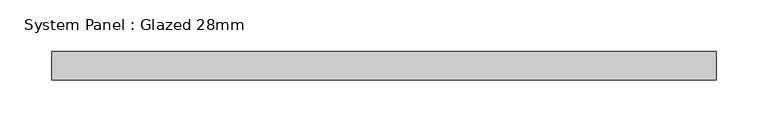
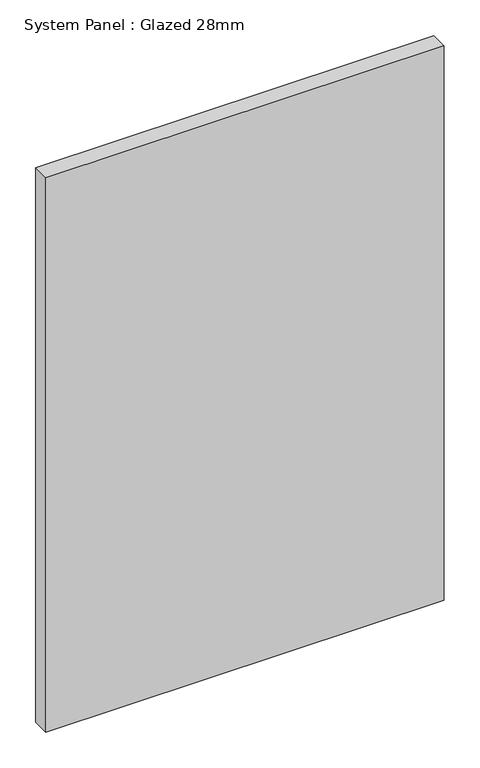
"""IFC4 building model written with IfcOpenShell, lengths in millimetres: plate geometry, System Panel : Glazed 28mm."""

import ifcopenshell
import ifcopenshell.guid

model = None  # the IFC model being written
_history = None  # IfcOwnerHistory: only IFC2X3 demands one
_inside = {}  # id of a spatial element -> (the spatial element, [elements in it])
_under = {}  # id of a project, library or spatial element -> (it, [spatial elements below it])
_declared = {}  # id of a project -> (the project, [libraries it declares])
_typed = {}  # id of a type object -> (the type object, [elements of that type])
_made_of = {}  # id of a material, layer set ... -> (it, [elements and type objects made of it])


def new_model(schema):
    """Start an empty IFC model of exactly this schema.

    Asked for "IFC4X3", IfcOpenShell would pick the latest addendum, in which some entities
    have other attributes; the version numbers below select the first issue.
    IFC2X3 requires an IfcOwnerHistory on every rooted entity: one is made here for all.
    """
    global model, _history
    if schema == "IFC4X3":
        model = ifcopenshell.file(schema_version=(4, 3, 0, 0))
    else:
        model = ifcopenshell.file(schema=schema)
    _inside.clear()
    _under.clear()
    _declared.clear()
    _typed.clear()
    _made_of.clear()
    _history = None
    if model.schema == "IFC2X3":
        org = make("IfcOrganization", Name="unknown")
        user = make(
            "IfcPersonAndOrganization",
            ThePerson=make("IfcPerson", FamilyName="unknown"),
            TheOrganization=org,
        )
        app = make(
            "IfcApplication",
            ApplicationDeveloper=org,
            Version="unknown",
            ApplicationFullName="unknown",
            ApplicationIdentifier="unknown",
        )
        _history = make(
            "IfcOwnerHistory",
            OwningUser=user,
            OwningApplication=app,
            ChangeAction="ADDED",
            CreationDate=0,
        )
    return model


def make(cls, **values):
    """One entity of the class cls with the attributes given. An attribute that is None is left unset."""
    return model.create_entity(
        cls, **{name: value for name, value in values.items() if value is not None}
    )


def rooted(cls, **values):
    """An entity with a GlobalId (a new one), such as an element, a storey or a relation."""
    return make(cls, GlobalId=ifcopenshell.guid.new(), OwnerHistory=_history, **values)


def si_unit(unit_type, name, prefix=None):
    """IfcSIUnit, for example si_unit("LENGTHUNIT", "METRE", prefix="MILLI")."""
    return make("IfcSIUnit", UnitType=unit_type, Prefix=prefix, Name=name)


def assignment(units):
    """IfcUnitAssignment: the units of a project."""
    return None if units is None else make("IfcUnitAssignment", Units=units)


def point(xyz):
    """IfcCartesianPoint."""
    return None if xyz is None else make("IfcCartesianPoint", Coordinates=xyz)


def direction(xyz):
    """IfcDirection."""
    return None if xyz is None else make("IfcDirection", DirectionRatios=xyz)


def frame(location, z_axis=None, x_axis=None):
    """IfcAxis2Placement3D, a coordinate frame: its origin and axes. An axis left out is left unset."""
    return make(
        "IfcAxis2Placement3D",
        Location=point(location),
        Axis=direction(z_axis),
        RefDirection=direction(x_axis),
    )


def origin():
    """The frame at (0, 0, 0) with its axes left unset."""
    return frame((0.0, 0.0, 0.0))


def origin_with_axes():
    """The frame at (0, 0, 0) with the z axis (0, 0, 1) and the x axis (1, 0, 0) written out."""
    return frame((0.0, 0.0, 0.0), z_axis=(0.0, 0.0, 1.0), x_axis=(1.0, 0.0, 0.0))


def place(relative_to, where):
    """IfcLocalPlacement: puts the frame where relative to a parent placement (None: the world)."""
    return make(
        "IfcLocalPlacement", PlacementRelTo=relative_to, RelativePlacement=where
    )


def context(
    kind, dimensions, precision=None, world=None, true_north=None, identifier=None
):
    """IfcGeometricRepresentationContext, for example the 3D "Model" context."""
    return make(
        "IfcGeometricRepresentationContext",
        ContextIdentifier=identifier,
        ContextType=kind,
        CoordinateSpaceDimension=dimensions,
        Precision=precision,
        WorldCoordinateSystem=world,
        TrueNorth=true_north,
    )


def project(units=None, contexts=None):
    """IfcProject with its units and contexts."""
    return rooted(
        "IfcProject",
        Name="project",
        RepresentationContexts=contexts,
        UnitsInContext=assignment(units),
    )


def spatial(cls, under=None, at=None, **own):
    """A site, building, storey or space (cls), placed at a placement, below another one or the project."""
    s = rooted(cls, ObjectPlacement=at, **own)
    if under is not None:
        _under.setdefault(under.id(), (under, []))[1].append(s)
    return s


def polyline(points):
    """IfcPolyline through the points."""
    return make("IfcPolyline", Points=[point(p) for p in points])


def outline(outer, holes=None, kind="AREA"):
    """IfcArbitraryClosedProfileDef: a profile drawn as a closed curve; with holes, ...WithVoids."""
    if holes is None:
        return make("IfcArbitraryClosedProfileDef", ProfileType=kind, OuterCurve=outer)
    return make(
        "IfcArbitraryProfileDefWithVoids",
        ProfileType=kind,
        OuterCurve=outer,
        InnerCurves=holes,
    )


def extrude(swept, where, along, depth):
    """IfcExtrudedAreaSolid: the profile swept, set in the frame where, extruded along a direction by depth."""
    return make(
        "IfcExtrudedAreaSolid",
        SweptArea=swept,
        Position=where,
        ExtrudedDirection=direction(along),
        Depth=depth,
    )


def shape(context_of_items, identifier, shape_type, items):
    """IfcShapeRepresentation: the items that make up one representation, for example the "Body"."""
    return make(
        "IfcShapeRepresentation",
        ContextOfItems=context_of_items,
        RepresentationIdentifier=identifier,
        RepresentationType=shape_type,
        Items=items,
    )


def source(mapping_origin, context_of_items, identifier, shape_type, items):
    """IfcRepresentationMap: a shape defined once, which mapped items show again and again."""
    return make(
        "IfcRepresentationMap",
        MappingOrigin=mapping_origin,
        MappedRepresentation=shape(context_of_items, identifier, shape_type, items),
    )


def transform(
    local_origin,
    x_axis=None,
    y_axis=None,
    z_axis=None,
    scale=None,
    scale2=None,
    scale3=None,
    uniform=True,
):
    """IfcCartesianTransformationOperator3D, or its non-uniform kind. x_axis, y_axis, z_axis: its Axis1, 2, 3."""
    if uniform:
        return make(
            "IfcCartesianTransformationOperator3D",
            Axis1=direction(x_axis),
            Axis2=direction(y_axis),
            LocalOrigin=point(local_origin),
            Scale=scale,
            Axis3=direction(z_axis),
        )
    return make(
        "IfcCartesianTransformationOperator3DnonUniform",
        Axis1=direction(x_axis),
        Axis2=direction(y_axis),
        LocalOrigin=point(local_origin),
        Scale=scale,
        Axis3=direction(z_axis),
        Scale2=scale2,
        Scale3=scale3,
    )


def mapped(mapping_source, mapping_target):
    """IfcMappedItem: shows the shape of a source again, moved by a transform."""
    return make(
        "IfcMappedItem", MappingSource=mapping_source, MappingTarget=mapping_target
    )


def made_of(thing, what):
    """Note that an element or type object is made of a material, layer set ...; save() writes the relation."""
    if what is not None:
        _made_of.setdefault(what.id(), (what, []))[1].append(thing)
    return thing


def element(
    cls,
    number,
    at=None,
    inside=None,
    cuts=None,
    type_object=None,
    material=None,
    context=None,
    identifier="Body",
    shape_type=None,
    held_by="IfcProductDefinitionShape",
    body=None,
    shapes=None,
    **own,
):
    """One element of the class cls, such as IfcWall. Its Tag is "e" and its number.

    at: its placement. inside: the storey or other place that contains it. cuts: it is an
    opening in that element (IfcRelVoidsElement). A single representation is given by context,
    identifier, shape_type and body (its items); several are given by shapes. held_by: the class
    of the entity that holds the representations. save() writes the other relations.
    """
    e = rooted(cls, Tag="e%d" % number, ObjectPlacement=at, **own)
    if body is not None:
        shapes = [shape(context, identifier, shape_type, body)]
    if shapes is not None:
        e.Representation = make(held_by, Representations=shapes)
    if inside is not None:
        _inside.setdefault(inside.id(), (inside, []))[1].append(e)
    if cuts is not None:
        rooted(
            "IfcRelVoidsElement", RelatingBuildingElement=cuts, RelatedOpeningElement=e
        )
    if type_object is not None:
        _typed.setdefault(type_object.id(), (type_object, []))[1].append(e)
    return made_of(e, material)


def aggregate(whole, parts):
    """IfcRelAggregates: a whole, such as a stair, and the parts it consists of."""
    return rooted("IfcRelAggregates", RelatingObject=whole, RelatedObjects=parts)


def save(model, path):
    """Write the relations noted so far, then the file.

    IfcRelAggregates (storeys below a building ...), IfcRelContainedInSpatialStructure (elements
    in a storey), IfcRelDefinesByType, IfcRelAssociatesMaterial and IfcRelDeclares: one each for
    every whole, place, type object, material and project.
    """
    for whole, parts in _under.values():
        aggregate(whole, parts)
    for where, things in _inside.values():
        rooted(
            "IfcRelContainedInSpatialStructure",
            RelatedElements=things,
            RelatingStructure=where,
        )
    for kind, things in _typed.values():
        rooted("IfcRelDefinesByType", RelatedObjects=things, RelatingType=kind)
    for what, things in _made_of.values():
        rooted("IfcRelAssociatesMaterial", RelatedObjects=things, RelatingMaterial=what)
    for by, libraries in _declared.values():
        rooted("IfcRelDeclares", RelatingContext=by, RelatedDefinitions=libraries)
    model.write(path)


def system_panel_glazed_28mm_5c90e4be(model_context):
    return source(origin(), model_context, "Body", "SweptSolid", [
        extrude(outline(polyline([(322.5586443, -14.0), (-322.5586443, -14.0), (-322.5586443, 14.0), (322.5586443, 14.0), (322.5586443, -14.0)])), origin_with_axes(), (0.0, 0.0, 1.0), 948.6794583),
    ])


if __name__ == "__main__":
    model = new_model("IFC4")
    model_context = context("Model", 3, world=origin())
    ifc_project = project(units=[si_unit("LENGTHUNIT", "METRE", prefix="MILLI")], contexts=[model_context])
    site = spatial("IfcSite", under=ifc_project)
    building = spatial("IfcBuilding", under=site)
    placement = place(None, origin())
    system_panel_glazed_28mm_shape = system_panel_glazed_28mm_5c90e4be(model_context)
    element("IfcPlate", 1, ObjectType="System Panel : Glazed 28mm", at=placement, inside=building, context=model_context, shape_type="MappedRepresentation", body=[
        mapped(system_panel_glazed_28mm_shape, transform((0.0, 0.0, 0.0), x_axis=(1.0, 0.0, 0.0), y_axis=(0.0, 1.0, 0.0), z_axis=(0.0, 0.0, 1.0))),
    ])
    save(model, "model.ifc")
